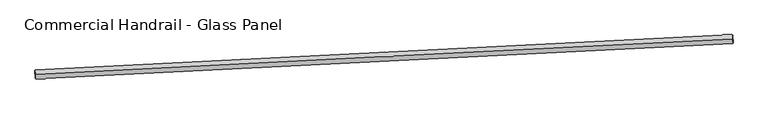
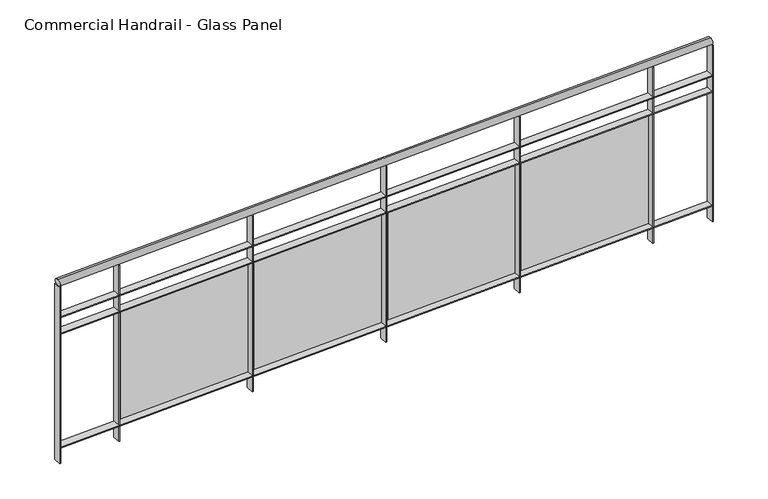
"""IFC4 building model written with IfcOpenShell, lengths in millimetres: railing geometry, Commercial Handrail - Glass Panel."""

from ifc_helpers import new_model, si_unit, point, frame, origin, place, context, project, spatial, polyline, circle_curve, ellipse_curve, trimmed, outline, extrude, source, transform, mapped, element, save
from ifc_brep_helpers import plane_surface, cylinder_surface, revolved_surface, advanced_brep


def commercial_handrail_glass_panel_462b8b7a(model_context):
    return source(origin(), model_context, "Body", "SolidModel", [
        advanced_brep(
        [(79397.2967525, -7868.0167373, 6082.5), (75492.5401966, -8066.1806126, 6082.5), (75492.5401966, -8066.1806126, 6117.5), (79397.2967525, -7868.0167373, 6117.5)],
        [
            (0, 1, circle_curve(frame((111016.9781026, -669493.9269536, 6082.5), z_axis=(0.0, 0.0, 1.0), x_axis=(-0.0536314228074189, 0.9985607995949229, 0.0)), 662381.0454099)),
            (1, 2, ellipse_curve(frame((75492.5401966, -8066.1806126, 6100.0), z_axis=(0.9985607995949235, 0.05363142280741248, 0.0), x_axis=(0.05363142280741247, -0.9985607995949233, 0.0)), 25.0, 17.5)),
            (2, 3, circle_curve(frame((111016.9781026, -669493.9269536, 6117.5), z_axis=(0.0, 0.0, -1.0), x_axis=(-0.0536314228074189, 0.9985607995949229, 0.0)), 662381.0454099)),
            (3, 0, ellipse_curve(frame((79397.2967525, -7868.0167373, 6100.0), z_axis=(-0.998859968595467, -0.04773639217057431, 0.0), x_axis=(0.04773639217057431, -0.998859968595467, 0.0)), 25.0, 17.5)),
            (2, 1, ellipse_curve(frame((75492.5401966, -8066.1806126, 6100.0), z_axis=(0.9985607995949235, 0.05363142280741248, 0.0), x_axis=(0.05363142280741247, -0.9985607995949233, 0.0)), 25.0, 17.5)),
            (0, 3, ellipse_curve(frame((79397.2967525, -7868.0167373, 6100.0), z_axis=(-0.998859968595467, -0.04773639217057431, 0.0), x_axis=(0.04773639217057431, -0.998859968595467, 0.0)), 25.0, 17.5)),
        ],
        [
            revolved_surface(trimmed(ellipse_curve(frame((75492.5401966, -8066.1806126, 6100.0), z_axis=(-0.9985607995949229, -0.0536314228074189, 0.0), x_axis=(0.0, 0.0, -1.0)), 17.5, 25.0), [point((75492.5401966, -8066.1806126, 6117.5))], [point((75492.5401966, -8066.1806126, 6082.5))], True, "CARTESIAN"), (111016.9781026, -669493.9269536, 6100.0), (0.0, 0.0, -1.0)),
            revolved_surface(trimmed(ellipse_curve(frame((75492.5401966, -8066.1806126, 6100.0), z_axis=(-0.9985607995949229, -0.0536314228074189, 0.0), x_axis=(0.0, 0.0, -1.0)), 17.5, 25.0), [point((75492.5401966, -8066.1806126, 6082.5))], [point((75492.5401966, -8066.1806126, 6117.5))], True, "CARTESIAN"), (111016.9781026, -669493.9269536, 6100.0), (0.0, 0.0, -1.0)),
            plane_surface(frame((75492.5401966, -8066.1806126, 6100.0), z_axis=(-0.998560799594923, -0.05363142280741891, 0.0), x_axis=(0.05363142280741891, -0.998560799594923, 0.0))),
            plane_surface(frame((79397.2967525, -7868.0167373, 6100.0), z_axis=(0.9988599685954669, 0.04773639217057431, 0.0), x_axis=(0.04773639217057431, -0.9988599685954669, 0.0))),
        ],
        [
            (0, [[1, 2, 3, 4]]),
            (1, [[-3, 5, -1, 6]]),
            (2, [[-2, -5]]),
            (3, [[-6, -4]]),
        ],
    ),
        advanced_brep(
        [(79396.2226837, -7845.542388, 5900.0), (75491.3334896, -8043.7129946, 5900.0), (75493.7469036, -8088.6482306, 5900.0), (79398.3708214, -7890.4910866, 5900.0), (79396.2226837, -7845.542388, 5894.0), (75491.3334896, -8043.7129946, 5894.0), (79398.3708214, -7890.4910866, 5894.0), (75493.7469036, -8088.6482306, 5894.0)],
        [
            (0, 1, circle_curve(frame((111016.9781026, -669493.9269536, 5900.0), z_axis=(0.0, 0.0, 1.0), x_axis=(-0.0536314228074189, 0.9985607995949229, 0.0)), 662403.5454099)),
            (1, 2),
            (2, 3, circle_curve(frame((111016.9781026, -669493.9269536, 5900.0), z_axis=(0.0, 0.0, -1.0), x_axis=(-0.0536314228074189, 0.9985607995949229, 0.0)), 662358.5454099)),
            (3, 0),
            (4, 5, circle_curve(frame((111016.9781026, -669493.9269536, 5894.0), z_axis=(0.0, 0.0, 1.0), x_axis=(-0.0536314228074189, 0.9985607995949229, 0.0)), 662403.5454099)),
            (5, 1),
            (0, 4),
            (6, 7, circle_curve(frame((111016.9781026, -669493.9269536, 5894.0), z_axis=(0.0, 0.0, 1.0), x_axis=(-0.0536314228074189, 0.9985607995949229, 0.0)), 662358.5454099)),
            (7, 5),
            (4, 6),
            (2, 7),
            (6, 3),
        ],
        [
            plane_surface(frame((111016.9781026, -669493.9269536, 5900.0), z_axis=(0.0, 0.0, 1.0), x_axis=(-0.0536314228074189, 0.9985607995949229, 0.0))),
            cylinder_surface(frame((111016.9781026, -669493.9269536, 5900.0), z_axis=(0.0, 0.0, -1.0), x_axis=(-0.0536314228074189, 0.9985607995949229, 0.0)), 662403.5454099),
            plane_surface(frame((111016.9781026, -669493.9269536, 5894.0), z_axis=(0.0, 0.0, -1.0), x_axis=(-0.0536314228074189, 0.9985607995949229, 0.0))),
            revolved_surface(polyline([(75493.74690361468, -8088.648230560124, 5894.0), (75493.74690361468, -8088.648230560124, 5900.0)]), (111016.9781026, -669493.9269536, 5900.0), (0.0, 0.0, -1.0)),
            plane_surface(frame((75492.5401966, -8066.1806126, 5900.0), z_axis=(-0.998560799594923, -0.05363142280741891, 0.0), x_axis=(0.05363142280741891, -0.998560799594923, 0.0))),
            plane_surface(frame((79397.2967525, -7868.0167373, 5900.0), z_axis=(0.9988599685954669, 0.04773639217057431, 0.0), x_axis=(0.04773639217057431, -0.9988599685954669, 0.0))),
        ],
        [
            (0, [[1, 2, 3, 4]]),
            (1, [[5, 6, -1, 7]]),
            (2, [[8, 9, -5, 10]]),
            (3, [[-3, 11, -8, 12]]),
            (4, [[-2, -6, -9, -11]]),
            (5, [[-12, -10, -7, -4]]),
        ],
    ),
        advanced_brep(
        [(79396.2226837, -7845.542388, 5800.0), (75491.3334896, -8043.7129946, 5800.0), (75493.7469036, -8088.6482306, 5800.0), (79398.3708214, -7890.4910866, 5800.0), (79396.2226837, -7845.542388, 5794.0), (75491.3334896, -8043.7129946, 5794.0), (79398.3708214, -7890.4910866, 5794.0), (75493.7469036, -8088.6482306, 5794.0)],
        [
            (0, 1, circle_curve(frame((111016.9781026, -669493.9269536, 5800.0), z_axis=(0.0, 0.0, 1.0), x_axis=(-0.0536314228074189, 0.9985607995949229, 0.0)), 662403.5454099)),
            (1, 2),
            (2, 3, circle_curve(frame((111016.9781026, -669493.9269536, 5800.0), z_axis=(0.0, 0.0, -1.0), x_axis=(-0.0536314228074189, 0.9985607995949229, 0.0)), 662358.5454099)),
            (3, 0),
            (4, 5, circle_curve(frame((111016.9781026, -669493.9269536, 5794.0), z_axis=(0.0, 0.0, 1.0), x_axis=(-0.0536314228074189, 0.9985607995949229, 0.0)), 662403.5454099)),
            (5, 1),
            (0, 4),
            (6, 7, circle_curve(frame((111016.9781026, -669493.9269536, 5794.0), z_axis=(0.0, 0.0, 1.0), x_axis=(-0.0536314228074189, 0.9985607995949229, 0.0)), 662358.5454099)),
            (7, 5),
            (4, 6),
            (2, 7),
            (6, 3),
        ],
        [
            plane_surface(frame((111016.9781026, -669493.9269536, 5800.0), z_axis=(0.0, 0.0, 1.0), x_axis=(-0.0536314228074189, 0.9985607995949229, 0.0))),
            cylinder_surface(frame((111016.9781026, -669493.9269536, 5800.0), z_axis=(0.0, 0.0, -1.0), x_axis=(-0.0536314228074189, 0.9985607995949229, 0.0)), 662403.5454099),
            plane_surface(frame((111016.9781026, -669493.9269536, 5794.0), z_axis=(0.0, 0.0, -1.0), x_axis=(-0.0536314228074189, 0.9985607995949229, 0.0))),
            revolved_surface(polyline([(75493.74690361468, -8088.648230560124, 5794.0), (75493.74690361468, -8088.648230560124, 5800.0)]), (111016.9781026, -669493.9269536, 5800.0), (0.0, 0.0, -1.0)),
            plane_surface(frame((75492.5401966, -8066.1806126, 5800.0), z_axis=(-0.998560799594923, -0.05363142280741891, 0.0), x_axis=(0.05363142280741891, -0.998560799594923, 0.0))),
            plane_surface(frame((79397.2967525, -7868.0167373, 5800.0), z_axis=(0.9988599685954669, 0.04773639217057431, 0.0), x_axis=(0.04773639217057431, -0.9988599685954669, 0.0))),
        ],
        [
            (0, [[1, 2, 3, 4]]),
            (1, [[5, 6, -1, 7]]),
            (2, [[8, 9, -5, 10]]),
            (3, [[-3, 11, -8, 12]]),
            (4, [[-2, -6, -9, -11]]),
            (5, [[-12, -10, -7, -4]]),
        ],
    ),
        advanced_brep(
        [(79396.2226837, -7845.542388, 5100.0), (75491.3334896, -8043.7129946, 5100.0), (75493.7469036, -8088.6482306, 5100.0), (79398.3708214, -7890.4910866, 5100.0), (79396.2226837, -7845.542388, 5094.0), (75491.3334896, -8043.7129946, 5094.0), (79398.3708214, -7890.4910866, 5094.0), (75493.7469036, -8088.6482306, 5094.0)],
        [
            (0, 1, circle_curve(frame((111016.9781026, -669493.9269536, 5100.0), z_axis=(0.0, 0.0, 1.0), x_axis=(-0.0536314228074189, 0.9985607995949229, 0.0)), 662403.5454099)),
            (1, 2),
            (2, 3, circle_curve(frame((111016.9781026, -669493.9269536, 5100.0), z_axis=(0.0, 0.0, -1.0), x_axis=(-0.0536314228074189, 0.9985607995949229, 0.0)), 662358.5454099)),
            (3, 0),
            (4, 5, circle_curve(frame((111016.9781026, -669493.9269536, 5094.0), z_axis=(0.0, 0.0, 1.0), x_axis=(-0.0536314228074189, 0.9985607995949229, 0.0)), 662403.5454099)),
            (5, 1),
            (0, 4),
            (6, 7, circle_curve(frame((111016.9781026, -669493.9269536, 5094.0), z_axis=(0.0, 0.0, 1.0), x_axis=(-0.0536314228074189, 0.9985607995949229, 0.0)), 662358.5454099)),
            (7, 5),
            (4, 6),
            (2, 7),
            (6, 3),
        ],
        [
            plane_surface(frame((111016.9781026, -669493.9269536, 5100.0), z_axis=(0.0, 0.0, 1.0), x_axis=(-0.0536314228074189, 0.9985607995949229, 0.0))),
            cylinder_surface(frame((111016.9781026, -669493.9269536, 5100.0), z_axis=(0.0, 0.0, -1.0), x_axis=(-0.0536314228074189, 0.9985607995949229, 0.0)), 662403.5454099),
            plane_surface(frame((111016.9781026, -669493.9269536, 5094.0), z_axis=(0.0, 0.0, -1.0), x_axis=(-0.0536314228074189, 0.9985607995949229, 0.0))),
            revolved_surface(polyline([(75493.74690361468, -8088.648230560124, 5094.0), (75493.74690361468, -8088.648230560124, 5100.0)]), (111016.9781026, -669493.9269536, 5100.0), (0.0, 0.0, -1.0)),
            plane_surface(frame((75492.5401966, -8066.1806126, 5100.0), z_axis=(-0.998560799594923, -0.05363142280741891, 0.0), x_axis=(0.05363142280741891, -0.998560799594923, 0.0))),
            plane_surface(frame((79397.2967525, -7868.0167373, 5100.0), z_axis=(0.9988599685954669, 0.04773639217057431, 0.0), x_axis=(0.04773639217057431, -0.9988599685954669, 0.0))),
        ],
        [
            (0, [[1, 2, 3, 4]]),
            (1, [[5, 6, -1, 7]]),
            (2, [[8, 9, -5, 10]]),
            (3, [[-3, 11, -8, 12]]),
            (4, [[-2, -6, -9, -11]]),
            (5, [[-12, -10, -7, -4]]),
        ],
    ),
        extrude(outline(polyline([(79040.9018338, -7907.6716301), (79038.7296137, -7862.7240889), (79044.7226192, -7862.4344596), (79046.8948393, -7907.3820008), (79040.9018338, -7907.6716301)])), frame((0.0, 0.0, 5000.0), z_axis=(0.0, 0.0, 1.0), x_axis=(1.0, 0.0, 0.0)), (0.0, 0.0, 1.0), 1082.1192282),
        extrude(outline(polyline([(78263.4452648, -7917.0618703), (79022.5370012, -7879.9170767), (79023.1234979, -7891.9027357), (78264.0317615, -7929.0475293), (78263.4452648, -7917.0618703)])), frame((0.0, 0.0, 5120.0), z_axis=(0.0, 0.0, 1.0), x_axis=(1.0, 0.0, 0.0)), (0.0, 0.0, 1.0), 660.0),
        extrude(outline(polyline([(78241.8852686, -7946.7737013), (78239.658764, -7901.8288164), (78245.6514154, -7901.5319492), (78247.8779199, -7946.476834), (78241.8852686, -7946.7737013)])), frame((0.0, 0.0, 5000.0), z_axis=(0.0, 0.0, 1.0), x_axis=(1.0, 0.0, 0.0)), (0.0, 0.0, 1.0), 1082.1192282),
        extrude(outline(polyline([(77464.4406078, -7957.1029185), (78223.4869284, -7919.0413485), (78224.0879006, -7931.0262904), (77465.0415799, -7969.0878604), (77464.4406078, -7957.1029185)])), frame((0.0, 0.0, 5120.0), z_axis=(0.0, 0.0, 1.0), x_axis=(1.0, 0.0, 0.0)), (0.0, 0.0, 1.0), 660.0),
        extrude(outline(polyline([(77442.9165122, -7986.8407672), (77440.6357265, -7941.8986042), (77446.6280149, -7941.5944994), (77448.9088006, -7986.5366625), (77442.9165122, -7986.8407672)])), frame((0.0, 0.0, 5000.0), z_axis=(0.0, 0.0, 1.0), x_axis=(1.0, 0.0, 0.0)), (0.0, 0.0, 1.0), 1082.1192282),
        extrude(outline(polyline([(76665.4848937, -7998.1089463), (77424.4846913, -7959.1306555), (77425.100138, -7971.1148628), (76666.1003404, -8010.0931537), (76665.4848937, -7998.1089463)])), frame((0.0, 0.0, 5120.0), z_axis=(0.0, 0.0, 1.0), x_axis=(1.0, 0.0, 0.0)), (0.0, 0.0, 1.0), 660.0),
        extrude(outline(polyline([(76643.9967301, -8027.8727694), (76641.6616665, -7982.9333938), (76647.6535833, -7982.622052), (76649.9886469, -8027.5614276), (76643.9967301, -8027.8727694)])), frame((0.0, 0.0, 5000.0), z_axis=(0.0, 0.0, 1.0), x_axis=(1.0, 0.0, 0.0)), (0.0, 0.0, 1.0), 1082.1192282),
        extrude(outline(polyline([(75866.5792879, -8040.079894), (76625.5314554, -8000.1849391), (76626.1613757, -8012.1683944), (75867.2092082, -8052.0633493), (75866.5792879, -8040.079894)])), frame((0.0, 0.0, 5120.0), z_axis=(0.0, 0.0, 1.0), x_axis=(1.0, 0.0, 0.0)), (0.0, 0.0, 1.0), 660.0),
        extrude(outline(polyline([(75845.1270877, -8069.869648), (75842.7377496, -8024.9331254), (75848.7292859, -8024.614547), (75851.118624, -8069.5510696), (75845.1270877, -8069.869648)])), frame((0.0, 0.0, 5000.0), z_axis=(0.0, 0.0, 1.0), x_axis=(1.0, 0.0, 0.0)), (0.0, 0.0, 1.0), 1082.1192282),
        extrude(outline(polyline([(79395.3742415, -7890.6342957), (79393.2261038, -7845.6855972), (79399.2192636, -7845.3991788), (79401.3674013, -7890.3478774), (79395.3742415, -7890.6342957)])), frame((0.0, 0.0, 5000.0), z_axis=(0.0, 0.0, 1.0), x_axis=(1.0, 0.0, 0.0)), (0.0, 0.0, 1.0), 1082.1192282),
        extrude(outline(polyline([(75490.7512212, -8088.8091249), (75488.3378072, -8043.8738889), (75494.329172, -8043.5521004), (75496.742586, -8088.4873363), (75490.7512212, -8088.8091249)])), frame((0.0, 0.0, 5000.0), z_axis=(0.0, 0.0, 1.0), x_axis=(1.0, 0.0, 0.0)), (0.0, 0.0, 1.0), 1082.1192282),
    ])


if __name__ == "__main__":
    model = new_model("IFC4")
    model_context = context("Model", 3, world=origin())
    ifc_project = project(units=[si_unit("LENGTHUNIT", "METRE", prefix="MILLI")], contexts=[model_context])
    site = spatial("IfcSite", under=ifc_project)
    building = spatial("IfcBuilding", under=site)
    placement = place(None, origin())
    commercial_handrail_glass_panel_shape = commercial_handrail_glass_panel_462b8b7a(model_context)
    element("IfcRailing", 1, ObjectType="Commercial Handrail - Glass Panel", at=placement, inside=building, context=model_context, shape_type="MappedRepresentation", body=[
        mapped(commercial_handrail_glass_panel_shape, transform((0.0, 0.0, 0.0), x_axis=(1.0, 0.0, 0.0), y_axis=(0.0, 1.0, 0.0), z_axis=(0.0, 0.0, 1.0))),
    ])
    save(model, "model.ifc")
